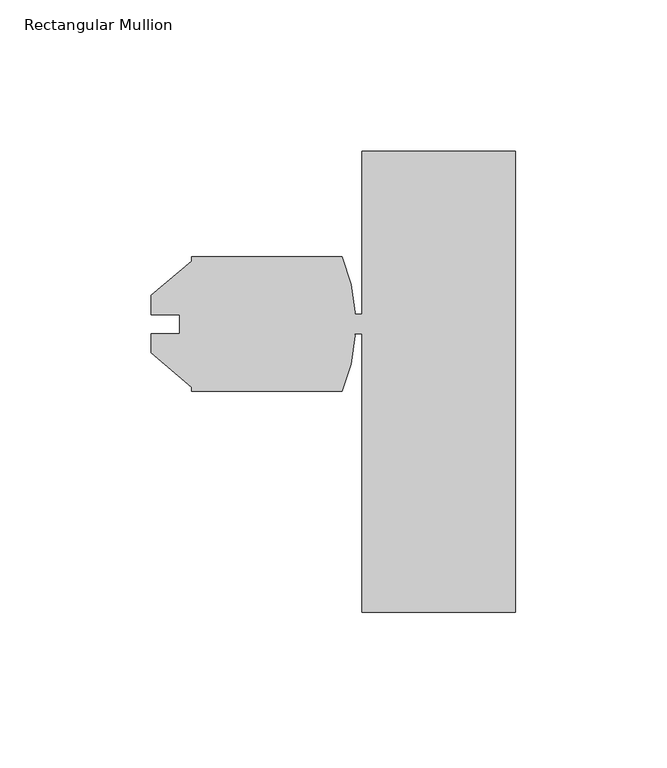
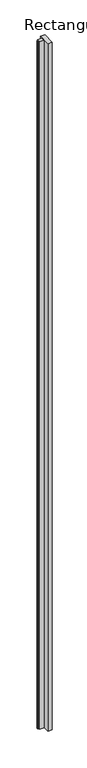
"""IFC4 building model written with IfcOpenShell, lengths in millimetres: member geometry, Rectangular Mullion."""

import ifcopenshell
import ifcopenshell.guid

model = None  # the IFC model being written
_history = None  # IfcOwnerHistory: only IFC2X3 demands one
_inside = {}  # id of a spatial element -> (the spatial element, [elements in it])
_under = {}  # id of a project, library or spatial element -> (it, [spatial elements below it])
_declared = {}  # id of a project -> (the project, [libraries it declares])
_typed = {}  # id of a type object -> (the type object, [elements of that type])
_made_of = {}  # id of a material, layer set ... -> (it, [elements and type objects made of it])


def new_model(schema):
    """Start an empty IFC model of exactly this schema.

    Asked for "IFC4X3", IfcOpenShell would pick the latest addendum, in which some entities
    have other attributes; the version numbers below select the first issue.
    IFC2X3 requires an IfcOwnerHistory on every rooted entity: one is made here for all.
    """
    global model, _history
    if schema == "IFC4X3":
        model = ifcopenshell.file(schema_version=(4, 3, 0, 0))
    else:
        model = ifcopenshell.file(schema=schema)
    _inside.clear()
    _under.clear()
    _declared.clear()
    _typed.clear()
    _made_of.clear()
    _history = None
    if model.schema == "IFC2X3":
        org = make("IfcOrganization", Name="unknown")
        user = make(
            "IfcPersonAndOrganization",
            ThePerson=make("IfcPerson", FamilyName="unknown"),
            TheOrganization=org,
        )
        app = make(
            "IfcApplication",
            ApplicationDeveloper=org,
            Version="unknown",
            ApplicationFullName="unknown",
            ApplicationIdentifier="unknown",
        )
        _history = make(
            "IfcOwnerHistory",
            OwningUser=user,
            OwningApplication=app,
            ChangeAction="ADDED",
            CreationDate=0,
        )
    return model


def make(cls, **values):
    """One entity of the class cls with the attributes given. An attribute that is None is left unset."""
    return model.create_entity(
        cls, **{name: value for name, value in values.items() if value is not None}
    )


def rooted(cls, **values):
    """An entity with a GlobalId (a new one), such as an element, a storey or a relation."""
    return make(cls, GlobalId=ifcopenshell.guid.new(), OwnerHistory=_history, **values)


def si_unit(unit_type, name, prefix=None):
    """IfcSIUnit, for example si_unit("LENGTHUNIT", "METRE", prefix="MILLI")."""
    return make("IfcSIUnit", UnitType=unit_type, Prefix=prefix, Name=name)


def assignment(units):
    """IfcUnitAssignment: the units of a project."""
    return None if units is None else make("IfcUnitAssignment", Units=units)


def point(xyz):
    """IfcCartesianPoint."""
    return None if xyz is None else make("IfcCartesianPoint", Coordinates=xyz)


def direction(xyz):
    """IfcDirection."""
    return None if xyz is None else make("IfcDirection", DirectionRatios=xyz)


def frame(location, z_axis=None, x_axis=None):
    """IfcAxis2Placement3D, a coordinate frame: its origin and axes. An axis left out is left unset."""
    return make(
        "IfcAxis2Placement3D",
        Location=point(location),
        Axis=direction(z_axis),
        RefDirection=direction(x_axis),
    )


def frame_2d(location, x_axis=None):
    """IfcAxis2Placement2D, a coordinate frame in the plane: its origin and x axis."""
    return make(
        "IfcAxis2Placement2D", Location=point(location), RefDirection=direction(x_axis)
    )


def origin():
    """The frame at (0, 0, 0) with its axes left unset."""
    return frame((0.0, 0.0, 0.0))


def place(relative_to, where):
    """IfcLocalPlacement: puts the frame where relative to a parent placement (None: the world)."""
    return make(
        "IfcLocalPlacement", PlacementRelTo=relative_to, RelativePlacement=where
    )


def context(
    kind, dimensions, precision=None, world=None, true_north=None, identifier=None
):
    """IfcGeometricRepresentationContext, for example the 3D "Model" context."""
    return make(
        "IfcGeometricRepresentationContext",
        ContextIdentifier=identifier,
        ContextType=kind,
        CoordinateSpaceDimension=dimensions,
        Precision=precision,
        WorldCoordinateSystem=world,
        TrueNorth=true_north,
    )


def project(units=None, contexts=None):
    """IfcProject with its units and contexts."""
    return rooted(
        "IfcProject",
        Name="project",
        RepresentationContexts=contexts,
        UnitsInContext=assignment(units),
    )


def spatial(cls, under=None, at=None, **own):
    """A site, building, storey or space (cls), placed at a placement, below another one or the project."""
    s = rooted(cls, ObjectPlacement=at, **own)
    if under is not None:
        _under.setdefault(under.id(), (under, []))[1].append(s)
    return s


def polyline(points):
    """IfcPolyline through the points."""
    return make("IfcPolyline", Points=[point(p) for p in points])


def circle_curve(where, radius):
    """IfcCircle in the frame where."""
    return make("IfcCircle", Position=where, Radius=radius)


def trimmed(basis, trim1, trim2, sense, master):
    """IfcTrimmedCurve: the piece of a basis curve between two trims."""
    return make(
        "IfcTrimmedCurve",
        BasisCurve=basis,
        Trim1=trim1,
        Trim2=trim2,
        SenseAgreement=sense,
        MasterRepresentation=master,
    )


def segment(curve, same_sense, transition):
    """IfcCompositeCurveSegment."""
    return make(
        "IfcCompositeCurveSegment",
        Transition=transition,
        SameSense=same_sense,
        ParentCurve=curve,
    )


def composite_curve(segments, self_intersect=None):
    """IfcCompositeCurve: segments joined end to end."""
    return make("IfcCompositeCurve", Segments=segments, SelfIntersect=self_intersect)


def outline(outer, holes=None, kind="AREA"):
    """IfcArbitraryClosedProfileDef: a profile drawn as a closed curve; with holes, ...WithVoids."""
    if holes is None:
        return make("IfcArbitraryClosedProfileDef", ProfileType=kind, OuterCurve=outer)
    return make(
        "IfcArbitraryProfileDefWithVoids",
        ProfileType=kind,
        OuterCurve=outer,
        InnerCurves=holes,
    )


def extrude(swept, where, along, depth):
    """IfcExtrudedAreaSolid: the profile swept, set in the frame where, extruded along a direction by depth."""
    return make(
        "IfcExtrudedAreaSolid",
        SweptArea=swept,
        Position=where,
        ExtrudedDirection=direction(along),
        Depth=depth,
    )


def shape(context_of_items, identifier, shape_type, items):
    """IfcShapeRepresentation: the items that make up one representation, for example the "Body"."""
    return make(
        "IfcShapeRepresentation",
        ContextOfItems=context_of_items,
        RepresentationIdentifier=identifier,
        RepresentationType=shape_type,
        Items=items,
    )


def source(mapping_origin, context_of_items, identifier, shape_type, items):
    """IfcRepresentationMap: a shape defined once, which mapped items show again and again."""
    return make(
        "IfcRepresentationMap",
        MappingOrigin=mapping_origin,
        MappedRepresentation=shape(context_of_items, identifier, shape_type, items),
    )


def transform(
    local_origin,
    x_axis=None,
    y_axis=None,
    z_axis=None,
    scale=None,
    scale2=None,
    scale3=None,
    uniform=True,
):
    """IfcCartesianTransformationOperator3D, or its non-uniform kind. x_axis, y_axis, z_axis: its Axis1, 2, 3."""
    if uniform:
        return make(
            "IfcCartesianTransformationOperator3D",
            Axis1=direction(x_axis),
            Axis2=direction(y_axis),
            LocalOrigin=point(local_origin),
            Scale=scale,
            Axis3=direction(z_axis),
        )
    return make(
        "IfcCartesianTransformationOperator3DnonUniform",
        Axis1=direction(x_axis),
        Axis2=direction(y_axis),
        LocalOrigin=point(local_origin),
        Scale=scale,
        Axis3=direction(z_axis),
        Scale2=scale2,
        Scale3=scale3,
    )


def mapped(mapping_source, mapping_target):
    """IfcMappedItem: shows the shape of a source again, moved by a transform."""
    return make(
        "IfcMappedItem", MappingSource=mapping_source, MappingTarget=mapping_target
    )


def made_of(thing, what):
    """Note that an element or type object is made of a material, layer set ...; save() writes the relation."""
    if what is not None:
        _made_of.setdefault(what.id(), (what, []))[1].append(thing)
    return thing


def element(
    cls,
    number,
    at=None,
    inside=None,
    cuts=None,
    type_object=None,
    material=None,
    context=None,
    identifier="Body",
    shape_type=None,
    held_by="IfcProductDefinitionShape",
    body=None,
    shapes=None,
    **own,
):
    """One element of the class cls, such as IfcWall. Its Tag is "e" and its number.

    at: its placement. inside: the storey or other place that contains it. cuts: it is an
    opening in that element (IfcRelVoidsElement). A single representation is given by context,
    identifier, shape_type and body (its items); several are given by shapes. held_by: the class
    of the entity that holds the representations. save() writes the other relations.
    """
    e = rooted(cls, Tag="e%d" % number, ObjectPlacement=at, **own)
    if body is not None:
        shapes = [shape(context, identifier, shape_type, body)]
    if shapes is not None:
        e.Representation = make(held_by, Representations=shapes)
    if inside is not None:
        _inside.setdefault(inside.id(), (inside, []))[1].append(e)
    if cuts is not None:
        rooted(
            "IfcRelVoidsElement", RelatingBuildingElement=cuts, RelatedOpeningElement=e
        )
    if type_object is not None:
        _typed.setdefault(type_object.id(), (type_object, []))[1].append(e)
    return made_of(e, material)


def aggregate(whole, parts):
    """IfcRelAggregates: a whole, such as a stair, and the parts it consists of."""
    return rooted("IfcRelAggregates", RelatingObject=whole, RelatedObjects=parts)


def save(model, path):
    """Write the relations noted so far, then the file.

    IfcRelAggregates (storeys below a building ...), IfcRelContainedInSpatialStructure (elements
    in a storey), IfcRelDefinesByType, IfcRelAssociatesMaterial and IfcRelDeclares: one each for
    every whole, place, type object, material and project.
    """
    for whole, parts in _under.values():
        aggregate(whole, parts)
    for where, things in _inside.values():
        rooted(
            "IfcRelContainedInSpatialStructure",
            RelatedElements=things,
            RelatingStructure=where,
        )
    for kind, things in _typed.values():
        rooted("IfcRelDefinesByType", RelatedObjects=things, RelatingType=kind)
    for what, things in _made_of.values():
        rooted("IfcRelAssociatesMaterial", RelatedObjects=things, RelatingMaterial=what)
    for by, libraries in _declared.values():
        rooted("IfcRelDeclares", RelatingContext=by, RelatedDefinitions=libraries)
    model.write(path)


def rectangular_mullion_09660a06(model_context):
    return source(origin(), model_context, "Body", "SweptSolid", [
        extrude(outline(composite_curve([segment(polyline([(-50.8, 0.0), (0.0, 0.0), (0.0, -152.4), (-50.7999898, -152.4), (-50.799996, -60.3277029), (-53.6510748, -60.3277029)]), True, "CONTINUOUS"), segment(trimmed(circle_curve(frame_2d((-53.7968555, -60.9511586)), 0.6402725), [point((-53.6510748, -60.3277029))], [point((-53.1579555, -60.9930592))], False, "CARTESIAN"), True, "CONTINUOUS"), segment(trimmed(circle_curve(frame_2d((-111.7568722, -57.15)), 58.7248001), [point((-53.1579555, -60.9930592))], [point((-57.4001659, -79.375))], False, "CARTESIAN"), True, "CONTINUOUS"), segment(polyline([(-57.4001659, -79.375), (-107.1221699, -79.375), (-107.1221699, -77.9782933), (-120.5841699, -66.682334), (-120.5841699, -60.3120621), (-111.1607699, -60.3120621), (-111.1607699, -53.9879379), (-120.5841699, -53.9879379), (-120.5841699, -47.617666), (-107.1221699, -36.3217067), (-107.1221699, -34.925), (-57.4001659, -34.925)]), True, "CONTINUOUS"), segment(trimmed(circle_curve(frame_2d((-111.7568721, -57.15)), 58.7248), [point((-57.4001659, -34.925))], [point((-53.1579555, -53.3069408))], False, "CARTESIAN"), True, "CONTINUOUS"), segment(trimmed(circle_curve(frame_2d((-53.709604, -53.4157035)), 0.5622682), [point((-53.1579555, -53.3069408))], [point((-53.6518853, -53.9750013))], False, "CARTESIAN"), True, "CONTINUOUS"), segment(polyline([(-53.6518853, -53.9750013), (-50.8, -53.9750013), (-50.8, 0.0)]), True, "CONTINUOUS")], self_intersect=False)), frame((0.0, 0.0, -8635.0685723), z_axis=(0.0, 0.0, 1.0), x_axis=(1.0, 0.0, 0.0)), (0.0, 0.0, 1.0), 8635.0685723),
    ])


if __name__ == "__main__":
    model = new_model("IFC4")
    model_context = context("Model", 3, world=origin())
    ifc_project = project(units=[si_unit("LENGTHUNIT", "METRE", prefix="MILLI")], contexts=[model_context])
    site = spatial("IfcSite", under=ifc_project)
    building = spatial("IfcBuilding", under=site)
    placement = place(None, origin())
    rectangular_mullion_shape = rectangular_mullion_09660a06(model_context)
    element("IfcMember", 1, ObjectType="Rectangular Mullion", at=placement, inside=building, context=model_context, shape_type="MappedRepresentation", body=[
        mapped(rectangular_mullion_shape, transform((0.0, 0.0, 0.0), x_axis=(1.0, 0.0, 0.0), y_axis=(0.0, 1.0, 0.0), z_axis=(0.0, 0.0, 1.0))),
    ])
    save(model, "model.ifc")
